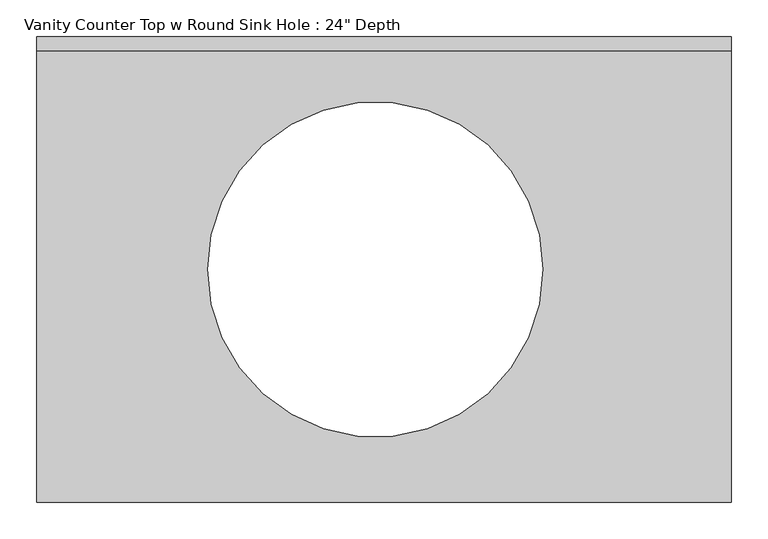
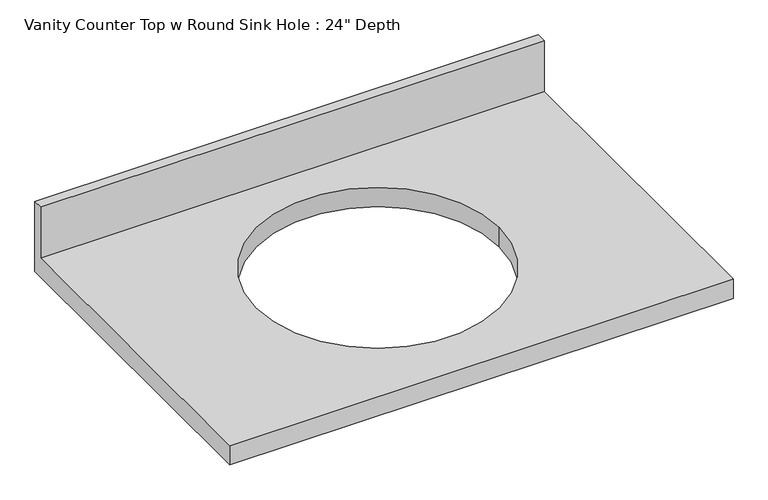
"""IFC4 building model written with IfcOpenShell, lengths in millimetres: furniture geometry."""

from ifc_helpers import new_model, si_unit, frame, origin, place, context, project, spatial, polyline, circle_curve, source, transform, mapped, element, save
from ifc_brep_helpers import plane_surface, revolved_surface, advanced_brep


def furniture_9ed3b683(model_context):
    return source(origin(), model_context, "Body", "AdvancedBrep", [
        advanced_brep(
        [(-1327.4622951, -635.0, 787.4), (-379.6865584, -635.0, 787.4), (-379.6865584, -19.05, 787.4), (-1327.4622951, -19.05, 787.4), (-636.7267493, -317.5, 787.4), (-1093.9267493, -317.5, 787.4), (-379.6865584, 0.0, 749.3), (-379.6865584, -635.0, 749.3), (-1327.4622951, -635.0, 749.3), (-1327.4622951, 0.0, 749.3), (-1093.9267493, -317.5, 749.3), (-636.7267493, -317.5, 749.3), (-1327.4622951, 0.0, 889.0), (-379.6865584, 0.0, 889.0), (-1327.4622951, -19.05, 889.0), (-379.6865584, -19.05, 889.0)],
        [
            (0, 1),
            (1, 2),
            (2, 3),
            (3, 0),
            (4, 5, circle_curve(frame((-865.3267493, -317.5, 787.4), z_axis=(0.0, 0.0, -1.0), x_axis=(1.0, 0.0, 0.0)), 228.6)),
            (5, 4, circle_curve(frame((-865.3267493, -317.5, 787.4), z_axis=(0.0, 0.0, -1.0), x_axis=(1.0, 0.0, 0.0)), 228.6)),
            (6, 7),
            (7, 8),
            (8, 9),
            (9, 6),
            (10, 11, circle_curve(frame((-865.3267493, -317.5, 749.3), z_axis=(0.0, 0.0, 1.0), x_axis=(1.0, 0.0, 0.0)), 228.6)),
            (11, 10, circle_curve(frame((-865.3267493, -317.5, 749.3), z_axis=(0.0, 0.0, 1.0), x_axis=(1.0, 0.0, 0.0)), 228.6)),
            (9, 12),
            (12, 13),
            (13, 6),
            (8, 0),
            (3, 14),
            (14, 12),
            (7, 1),
            (13, 15),
            (15, 2),
            (14, 15),
            (4, 11),
            (10, 5),
        ],
        [
            plane_surface(frame((-1327.4622951, 0.0, 787.4), z_axis=(0.0, 0.0, 1.0), x_axis=(-1.0, 0.0, 0.0))),
            plane_surface(frame((-1327.4622951, 0.0, 749.3), z_axis=(0.0, 0.0, -1.0), x_axis=(1.0, 0.0, 0.0))),
            plane_surface(frame((-379.6865584, 0.0, 787.4), z_axis=(0.0, 1.0, 0.0), x_axis=(0.0, 0.0, -1.0))),
            plane_surface(frame((-1327.4622951, 0.0, 787.4), z_axis=(-1.0, 0.0, 0.0), x_axis=(0.0, 0.0, -1.0))),
            plane_surface(frame((-1327.4622951, -635.0, 787.4), z_axis=(0.0, -1.0, 0.0), x_axis=(0.0, 0.0, -1.0))),
            plane_surface(frame((-379.6865584, -635.0, 787.4), z_axis=(1.0, 0.0, 0.0), x_axis=(0.0, 0.0, -1.0))),
            plane_surface(frame((-1327.4622951, 0.0, 889.0), z_axis=(0.0, 0.0, 1.0), x_axis=(0.0, -1.0, 0.0))),
            plane_surface(frame((-1327.4622951, -19.05, 889.0), z_axis=(0.0, -1.0, 0.0), x_axis=(0.0, 0.0, -1.0))),
            revolved_surface(polyline([(-636.7267492999999, -317.5, 787.4), (-636.7267492999999, -317.5, 749.3)]), (-865.3267493, -317.5, 749.3), (0.0, 0.0, 1.0)),
        ],
        [
            (0, [[1, 2, 3, 4], [5, 6]]),
            (1, [[7, 8, 9, 10], [11, 12]]),
            (2, [[-10, 13, 14, 15]]),
            (3, [[-9, 16, -4, 17, 18, -13]]),
            (4, [[-1, -16, -8, 19]]),
            (5, [[-7, -15, 20, 21, -2, -19]]),
            (6, [[-18, 22, -20, -14]]),
            (7, [[-22, -17, -3, -21]]),
            (8, [[23, -11, 24, -5]]),
            (8, [[-23, -6, -24, -12]]),
        ],
    ),
    ])


if __name__ == "__main__":
    model = new_model("IFC4")
    model_context = context("Model", 3, world=origin())
    ifc_project = project(units=[si_unit("LENGTHUNIT", "METRE", prefix="MILLI")], contexts=[model_context])
    site = spatial("IfcSite", under=ifc_project)
    building = spatial("IfcBuilding", under=site)
    placement = place(None, origin())
    furniture_shape = furniture_9ed3b683(model_context)
    element("IfcFurniture", 1, ObjectType="Vanity Counter Top w Round Sink Hole : 24\" Depth", at=placement, inside=building, context=model_context, shape_type="MappedRepresentation", body=[
        mapped(furniture_shape, transform((0.0, 0.0, 0.0), x_axis=(1.0, 0.0, 0.0), y_axis=(0.0, 1.0, 0.0), z_axis=(0.0, 0.0, 1.0))),
    ])
    save(model, "model.ifc")
